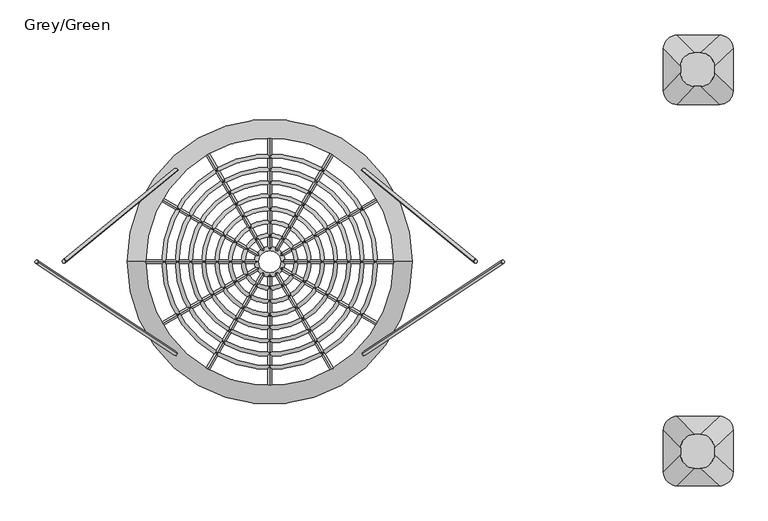
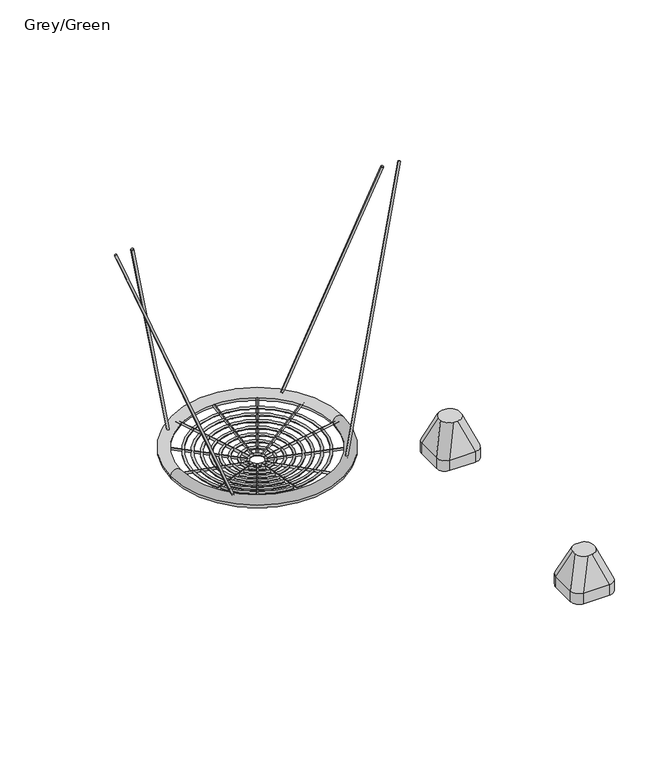
"""IFC4 building model written with IfcOpenShell, lengths in millimetres: furniture geometry, Grey/Green."""

from ifc_helpers import new_model, si_unit, point, frame, frame_2d, origin, place, context, project, spatial, circle_curve, ellipse_curve, trimmed, segment, composite_curve, outline, extrude, source, transform, mapped, element, save
from ifc_brep_helpers import plane_surface, cylinder_surface, revolved_surface, extruded_surface, advanced_brep


def grey_green_b81a8f59(model_context):
    return source(origin(), model_context, "Body", "SolidModel", [
        extrude(outline(composite_curve([segment(trimmed(circle_curve(frame_2d((0.0, -8.0)), 8.0), [point((0.0, -16.0000001))], [point((0.0, 0.0))], False, "CARTESIAN"), True, "CONTINUOUS"), segment(trimmed(circle_curve(frame_2d((0.0, -8.0)), 8.0), [point((0.0, 0.0))], [point((0.0, -16.0000001))], False, "CARTESIAN"), True, "CONTINUOUS")], self_intersect=False)), frame((407.7422445, 394.1498449, 611.5111416), z_axis=(0.2584020941085009, -0.211804995170902, 0.9425322285105141), x_axis=(-0.05600141735473467, -0.9773119481622305, -0.20426746494145032)), (0.0, 0.0, 1.0), 1883.5295867),
        extrude(outline(composite_curve([segment(trimmed(circle_curve(frame_2d((0.0, -8.0)), 8.0), [point((0.0, -16.0000001))], [point((0.0, 0.0))], False, "CARTESIAN"), True, "CONTINUOUS"), segment(trimmed(circle_curve(frame_2d((0.0, -8.0)), 8.0), [point((0.0, 0.0))], [point((0.0, -16.0000001))], False, "CARTESIAN"), True, "CONTINUOUS")], self_intersect=False)), frame((407.6090341, -405.7062822, 611.049837), z_axis=(0.3152303539748724, 0.2080728409075072, 0.9259241420384049), x_axis=(0.06705856372205599, -0.9781133333498113, 0.19697069872155026)), (0.0, 0.0, 1.0), 1917.4037037),
        extrude(outline(composite_curve([segment(trimmed(circle_curve(frame_2d((0.0, -8.0)), 8.0), [point((0.0, -16.0000001))], [point((0.0, 0.0))], False, "CARTESIAN"), True, "CONTINUOUS"), segment(trimmed(circle_curve(frame_2d((0.0, -8.0)), 8.0), [point((0.0, 0.0))], [point((0.0, -16.0000001))], False, "CARTESIAN"), True, "CONTINUOUS")], self_intersect=False)), frame((-407.7422445, 394.1498449, 611.5111416), z_axis=(-0.25840209410850096, -0.21180499517090198, 0.942532228510514), x_axis=(-0.05600141735473466, 0.9773119481622304, 0.20426746494145032)), (0.0, 0.0, 1.0), 1883.5295867),
        extrude(outline(composite_curve([segment(trimmed(circle_curve(frame_2d((0.0, -8.0)), 8.0), [point((0.0, -16.0000001))], [point((0.0, 0.0))], False, "CARTESIAN"), True, "CONTINUOUS"), segment(trimmed(circle_curve(frame_2d((0.0, -8.0)), 8.0), [point((0.0, 0.0))], [point((0.0, -16.0000001))], False, "CARTESIAN"), True, "CONTINUOUS")], self_intersect=False)), frame((-407.6090341, -405.7062822, 611.049837), z_axis=(-0.3152303539748724, 0.20807284090750716, 0.9259241420384049), x_axis=(0.06705856372205597, 0.9781133333498113, -0.19697069872155024)), (0.0, 0.0, 1.0), 1917.4037037),
        advanced_brep(
        [(535.0, -5.7567737, 593.5648611), (-535.0, -5.7567737, 593.5648611), (-615.0, -5.7567737, 593.5648611), (615.0, -5.7567737, 593.5648611)],
        [
            (0, 1, circle_curve(frame((0.0, -5.7567737, 593.5648611), z_axis=(0.0, 0.0, -1.0), x_axis=(-1.0, 0.0, 0.0)), 535.0)),
            (1, 2, circle_curve(frame((-575.0, -5.7567737, 593.5648611), z_axis=(0.0, -1.0, 0.0), x_axis=(1.0, 0.0, 0.0)), 40.0)),
            (2, 3, circle_curve(frame((0.0, -5.7567737, 593.5648611), z_axis=(0.0, 0.0, 1.0), x_axis=(-1.0, 0.0, 0.0)), 615.0)),
            (3, 0, circle_curve(frame((575.0, -5.7567737, 593.5648611), z_axis=(0.0, -1.0, 0.0), x_axis=(-1.0, 0.0, 0.0)), 40.0)),
            (2, 1, circle_curve(frame((-575.0, -5.7567737, 593.5648611), z_axis=(0.0, -1.0, 0.0), x_axis=(1.0, 0.0, 0.0)), 40.0)),
            (0, 3, circle_curve(frame((575.0, -5.7567737, 593.5648611), z_axis=(0.0, -1.0, 0.0), x_axis=(-1.0, 0.0, 0.0)), 40.0)),
            (1, 0, circle_curve(frame((0.0, -5.7567737, 593.5648611), z_axis=(0.0, 0.0, -1.0), x_axis=(1.0, 0.0, 0.0)), 535.0)),
            (3, 2, circle_curve(frame((0.0, -5.7567737, 593.5648611), z_axis=(0.0, 0.0, 1.0), x_axis=(1.0, 0.0, 0.0)), 615.0)),
        ],
        [
            revolved_surface(trimmed(ellipse_curve(frame((-575.0, -5.7567737, 593.5648611), z_axis=(0.0, 1.0, 0.0), x_axis=(1.0, 0.0, 0.0)), 40.0, 40.0), [point((-615.0, -5.7567737, 593.5648611))], [point((-535.0, -5.7567737, 593.5648611))], True, "CARTESIAN"), (0.0, -5.7567737, 1.0), (0.0, 0.0, 1.0)),
            revolved_surface(trimmed(ellipse_curve(frame((-575.0, -5.7567737, 593.5648611), z_axis=(0.0, 1.0, 0.0), x_axis=(1.0, 0.0, 0.0)), 40.0, 40.0), [point((-535.0, -5.7567737, 593.5648611))], [point((-615.0, -5.7567737, 593.5648611))], True, "CARTESIAN"), (0.0, -5.7567737, 1.0), (0.0, 0.0, 1.0)),
            revolved_surface(trimmed(ellipse_curve(frame((575.0, -5.7567737, 593.5648611), z_axis=(0.0, -1.0, 0.0), x_axis=(-1.0, 0.0, 0.0)), 40.0, 40.0), [point((615.0, -5.7567737, 593.5648611))], [point((535.0, -5.7567737, 593.5648611))], True, "CARTESIAN"), (0.0, -5.7567737, 1.0), (0.0, 0.0, 1.0)),
            revolved_surface(trimmed(ellipse_curve(frame((575.0, -5.7567737, 593.5648611), z_axis=(0.0, -1.0, 0.0), x_axis=(-1.0, 0.0, 0.0)), 40.0, 40.0), [point((535.0, -5.7567737, 593.5648611))], [point((615.0, -5.7567737, 593.5648611))], True, "CARTESIAN"), (0.0, -5.7567737, 1.0), (0.0, 0.0, 1.0)),
        ],
        [
            (0, [[1, 2, 3, 4]]),
            (1, [[-3, 5, -1, 6]]),
            (2, [[7, -4, 8, -2]]),
            (3, [[-8, -6, -7, -5]]),
        ],
    ),
        extrude(outline(composite_curve([segment(trimmed(circle_curve(frame_2d((0.0, -8.0000001)), 8.0), [point((0.0, -16.0))], [point((0.0, 0.0))], False, "CARTESIAN"), True, "CONTINUOUS"), segment(trimmed(circle_curve(frame_2d((0.0, -8.0000001)), 8.0), [point((0.0, 0.0))], [point((0.0, -16.0))], False, "CARTESIAN"), True, "CONTINUOUS")], self_intersect=False)), frame((-48.3054722, -33.6501141, 511.3143934), z_axis=(-0.8532184077808869, -0.4926058774098319, 0.17134117475124827), x_axis=(0.49999999999999467, -0.8660254037844417, 0.0)), (0.0, 0.0, 1.0), 525.6770169),
        extrude(outline(composite_curve([segment(trimmed(circle_curve(frame_2d((0.0, -8.0000001)), 8.0), [point((0.0, -16.0))], [point((0.0, 0.0))], False, "CARTESIAN"), True, "CONTINUOUS"), segment(trimmed(circle_curve(frame_2d((0.0, -8.0000001)), 8.0), [point((0.0, 0.0))], [point((0.0, -16.0))], False, "CARTESIAN"), True, "CONTINUOUS")], self_intersect=False)), frame((48.2360089, 22.088136, 511.4528529), z_axis=(0.8532184077808838, 0.4926058774098376, 0.17134117475124827), x_axis=(-0.5000000000000003, 0.8660254037844385, 0.0)), (0.0, 0.0, 1.0), 525.6770169),
        extrude(outline(composite_curve([segment(trimmed(circle_curve(frame_2d((0.0, -8.0000001)), 8.0), [point((0.0, -16.0))], [point((0.0, 0.0))], False, "CARTESIAN"), True, "CONTINUOUS"), segment(trimmed(circle_curve(frame_2d((0.0, -8.0000001)), 8.0), [point((0.0, 0.0))], [point((0.0, -16.0))], False, "CARTESIAN"), True, "CONTINUOUS")], self_intersect=False)), frame((-27.9038567, -54.0517296, 511.3143934), z_axis=(-0.492605877409843, -0.8532184077808806, 0.1713411747512483), x_axis=(0.8660254037844353, -0.5000000000000059, 0.0)), (0.0, 0.0, 1.0), 525.6770169),
        extrude(outline(composite_curve([segment(trimmed(circle_curve(frame_2d((0.0, -8.0000001)), 8.0), [point((0.0, -16.0))], [point((0.0, 0.0))], False, "CARTESIAN"), True, "CONTINUOUS"), segment(trimmed(circle_curve(frame_2d((0.0, -8.0000001)), 8.0), [point((0.0, 0.0))], [point((0.0, -16.0))], False, "CARTESIAN"), True, "CONTINUOUS")], self_intersect=False)), frame((27.8343934, 42.4897515, 511.4528529), z_axis=(0.4926058774098375, 0.8532184077808838, 0.1713411747512483), x_axis=(-0.8660254037844385, 0.5000000000000003, 0.0)), (0.0, 0.0, 1.0), 525.6770169),
        extrude(outline(composite_curve([segment(trimmed(circle_curve(frame_2d((0.0, -8.0000001)), 8.0), [point((0.0, -16.0))], [point((0.0, 0.0))], False, "CARTESIAN"), True, "CONTINUOUS"), segment(trimmed(circle_curve(frame_2d((0.0, -8.0000001)), 8.0), [point((0.0, 0.0))], [point((0.0, -16.0))], False, "CARTESIAN"), True, "CONTINUOUS")], self_intersect=False)), frame((-27.9038567, 42.4897515, 511.3143934), z_axis=(-0.49260587740982914, 0.8532184077808888, 0.17134117475124835), x_axis=(-0.8660254037844434, -0.49999999999999173, 0.0)), (0.0, 0.0, 1.0), 525.6770169),
        extrude(outline(composite_curve([segment(trimmed(circle_curve(frame_2d((0.0, -8.0000001)), 8.0), [point((0.0, -16.0))], [point((0.0, 0.0))], False, "CARTESIAN"), True, "CONTINUOUS"), segment(trimmed(circle_curve(frame_2d((0.0, -8.0000001)), 8.0), [point((0.0, 0.0))], [point((0.0, -16.0))], False, "CARTESIAN"), True, "CONTINUOUS")], self_intersect=False)), frame((27.8343934, -54.0517296, 511.4528529), z_axis=(0.49260587740983475, -0.8532184077808853, 0.17134117475124838), x_axis=(0.8660254037844402, 0.4999999999999975, 0.0)), (0.0, 0.0, 1.0), 525.6770169),
        extrude(outline(composite_curve([segment(trimmed(circle_curve(frame_2d((0.0, -8.0000001)), 8.0), [point((0.0, -16.0))], [point((0.0, 0.0))], False, "CARTESIAN"), True, "CONTINUOUS"), segment(trimmed(circle_curve(frame_2d((0.0, -8.0000001)), 8.0), [point((0.0, 0.0))], [point((0.0, -16.0))], False, "CARTESIAN"), True, "CONTINUOUS")], self_intersect=False)), frame((-48.3054722, 22.088136, 511.3143934), z_axis=(-0.8532184077808784, 0.4926058774098467, 0.17134117475124833), x_axis=(-0.5000000000000097, -0.8660254037844332, 0.0)), (0.0, 0.0, 1.0), 525.6770169),
        extrude(outline(composite_curve([segment(trimmed(circle_curve(frame_2d((0.0, -8.0000001)), 8.0), [point((0.0, -16.0))], [point((0.0, 0.0))], False, "CARTESIAN"), True, "CONTINUOUS"), segment(trimmed(circle_curve(frame_2d((0.0, -8.0000001)), 8.0), [point((0.0, 0.0))], [point((0.0, -16.0))], False, "CARTESIAN"), True, "CONTINUOUS")], self_intersect=False)), frame((48.2360089, -33.6501141, 511.4528529), z_axis=(0.8532184077808816, -0.49260587740984113, 0.17134117475124833), x_axis=(0.500000000000004, 0.8660254037844364, 0.0)), (0.0, 0.0, 1.0), 525.6770169),
        extrude(outline(composite_curve([segment(trimmed(circle_curve(frame_2d((0.0, -8.0000001)), 8.0), [point((0.0, -16.0))], [point((0.0, 0.0))], False, "CARTESIAN"), True, "CONTINUOUS"), segment(trimmed(circle_curve(frame_2d((0.0, -8.0000001)), 8.0), [point((0.0, 0.0))], [point((0.0, -16.0))], False, "CARTESIAN"), True, "CONTINUOUS")], self_intersect=False)), frame((-55.7729818, -5.7809891, 511.3143934), z_axis=(-0.9852117548196744, 0.0, 0.1713411747512483), x_axis=(0.0, -1.0, 0.0)), (0.0, 0.0, 1.0), 525.6770169),
        extrude(outline(composite_curve([segment(trimmed(circle_curve(frame_2d((0.0, -8.0000001)), 8.0), [point((0.0, -16.0))], [point((0.0, 0.0))], False, "CARTESIAN"), True, "CONTINUOUS"), segment(trimmed(circle_curve(frame_2d((0.0, -8.0000001)), 8.0), [point((0.0, 0.0))], [point((0.0, -16.0))], False, "CARTESIAN"), True, "CONTINUOUS")], self_intersect=False)), frame((55.7035184, -5.7809891, 511.4528529), z_axis=(0.9852117548196744, 0.0, 0.1713411747512483), x_axis=(0.0, 1.0, 0.0)), (0.0, 0.0, 1.0), 525.6770169),
        extrude(outline(composite_curve([segment(trimmed(circle_curve(frame_2d((0.0, -8.0000001)), 8.0), [point((0.0, -16.0))], [point((0.0, 0.0))], False, "CARTESIAN"), True, "CONTINUOUS"), segment(trimmed(circle_curve(frame_2d((0.0, -8.0000001)), 8.0), [point((0.0, 0.0))], [point((0.0, -16.0))], False, "CARTESIAN"), True, "CONTINUOUS")], self_intersect=False)), frame((-0.0347317, -61.5192392, 511.3143934), z_axis=(0.0, -0.9852117548196744, 0.17134117475124827), x_axis=(1.0, 0.0, 0.0)), (0.0, 0.0, 1.0), 525.6770169),
        extrude(outline(composite_curve([segment(trimmed(circle_curve(frame_2d((0.0, -8.0000001)), 8.0), [point((0.0, -16.0))], [point((0.0, 0.0))], False, "CARTESIAN"), True, "CONTINUOUS"), segment(trimmed(circle_curve(frame_2d((0.0, -8.0000001)), 8.0), [point((0.0, 0.0))], [point((0.0, -16.0))], False, "CARTESIAN"), True, "CONTINUOUS")], self_intersect=False)), frame((-0.0347317, 49.957261, 511.4528529), z_axis=(0.0, 0.9852117548196744, 0.1713411747512483), x_axis=(-1.0, 0.0, 0.0)), (0.0, 0.0, 1.0), 525.6770169),
        advanced_brep(
        [(448.7364652, -5.7567737, 573.090214), (-448.7364652, -5.7567737, 573.090214), (-464.7364652, -5.7567737, 573.090214), (464.7364652, -5.7567737, 573.090214)],
        [
            (0, 1, circle_curve(frame((0.0, -5.7567737, 573.090214), z_axis=(0.0, 0.0, -1.0), x_axis=(-1.0, 0.0, 0.0)), 448.7364652)),
            (1, 2, circle_curve(frame((-456.7364652, -5.7567737, 573.090214), z_axis=(0.0, -1.0, 0.0), x_axis=(1.0, 0.0, 0.0)), 8.0)),
            (2, 3, circle_curve(frame((0.0, -5.7567737, 573.090214), z_axis=(0.0, 0.0, 1.0), x_axis=(-1.0, 0.0, 0.0)), 464.7364652)),
            (3, 0, circle_curve(frame((456.7364652, -5.7567737, 573.090214), z_axis=(0.0, -1.0, 0.0), x_axis=(-1.0, 0.0, 0.0)), 8.0)),
            (2, 1, circle_curve(frame((-456.7364652, -5.7567737, 573.090214), z_axis=(0.0, -1.0, 0.0), x_axis=(1.0, 0.0, 0.0)), 8.0)),
            (0, 3, circle_curve(frame((456.7364652, -5.7567737, 573.090214), z_axis=(0.0, -1.0, 0.0), x_axis=(-1.0, 0.0, 0.0)), 8.0)),
            (1, 0, circle_curve(frame((0.0, -5.7567737, 573.090214), z_axis=(0.0, 0.0, -1.0), x_axis=(1.0, 0.0, 0.0)), 448.7364652)),
            (3, 2, circle_curve(frame((0.0, -5.7567737, 573.090214), z_axis=(0.0, 0.0, 1.0), x_axis=(1.0, 0.0, 0.0)), 464.7364652)),
        ],
        [
            revolved_surface(trimmed(ellipse_curve(frame((-456.7364652, -5.7567737, 573.090214), z_axis=(0.0, 1.0, 0.0), x_axis=(1.0, 0.0, 0.0)), 8.0, 8.0), [point((-464.7364652, -5.7567737, 573.090214))], [point((-448.7364652, -5.7567737, 573.090214))], True, "CARTESIAN"), (0.0, -5.7567737, 1.0), (0.0, 0.0, 1.0)),
            revolved_surface(trimmed(ellipse_curve(frame((-456.7364652, -5.7567737, 573.090214), z_axis=(0.0, 1.0, 0.0), x_axis=(1.0, 0.0, 0.0)), 8.0, 8.0), [point((-448.7364652, -5.7567737, 573.090214))], [point((-464.7364652, -5.7567737, 573.090214))], True, "CARTESIAN"), (0.0, -5.7567737, 1.0), (0.0, 0.0, 1.0)),
            revolved_surface(trimmed(ellipse_curve(frame((456.7364652, -5.7567737, 573.090214), z_axis=(0.0, -1.0, 0.0), x_axis=(-1.0, 0.0, 0.0)), 8.0, 8.0), [point((464.7364652, -5.7567737, 573.090214))], [point((448.7364652, -5.7567737, 573.090214))], True, "CARTESIAN"), (0.0, -5.7567737, 1.0), (0.0, 0.0, 1.0)),
            revolved_surface(trimmed(ellipse_curve(frame((456.7364652, -5.7567737, 573.090214), z_axis=(0.0, -1.0, 0.0), x_axis=(-1.0, 0.0, 0.0)), 8.0, 8.0), [point((448.7364652, -5.7567737, 573.090214))], [point((464.7364652, -5.7567737, 573.090214))], True, "CARTESIAN"), (0.0, -5.7567737, 1.0), (0.0, 0.0, 1.0)),
        ],
        [
            (0, [[1, 2, 3, 4]]),
            (1, [[-3, 5, -1, 6]]),
            (2, [[7, -4, 8, -2]]),
            (3, [[-8, -6, -7, -5]]),
        ],
    ),
        advanced_brep(
        [(391.6928848, -5.7567737, 563.0714642), (-391.6928848, -5.7567737, 563.0714642), (-407.6928848, -5.7567737, 563.0714642), (407.6928848, -5.7567737, 563.0714642)],
        [
            (0, 1, circle_curve(frame((0.0, -5.7567737, 563.0714642), z_axis=(0.0, 0.0, -1.0), x_axis=(-1.0, 0.0, 0.0)), 391.6928848)),
            (1, 2, circle_curve(frame((-399.6928848, -5.7567737, 563.0714642), z_axis=(0.0, -1.0, 0.0), x_axis=(1.0, 0.0, 0.0)), 8.0)),
            (2, 3, circle_curve(frame((0.0, -5.7567737, 563.0714642), z_axis=(0.0, 0.0, 1.0), x_axis=(-1.0, 0.0, 0.0)), 407.6928848)),
            (3, 0, circle_curve(frame((399.6928848, -5.7567737, 563.0714642), z_axis=(0.0, -1.0, 0.0), x_axis=(-1.0, 0.0, 0.0)), 8.0)),
            (2, 1, circle_curve(frame((-399.6928848, -5.7567737, 563.0714642), z_axis=(0.0, -1.0, 0.0), x_axis=(1.0, 0.0, 0.0)), 8.0)),
            (0, 3, circle_curve(frame((399.6928848, -5.7567737, 563.0714642), z_axis=(0.0, -1.0, 0.0), x_axis=(-1.0, 0.0, 0.0)), 8.0)),
            (1, 0, circle_curve(frame((0.0, -5.7567737, 563.0714642), z_axis=(0.0, 0.0, -1.0), x_axis=(1.0, 0.0, 0.0)), 391.6928848)),
            (3, 2, circle_curve(frame((0.0, -5.7567737, 563.0714642), z_axis=(0.0, 0.0, 1.0), x_axis=(1.0, 0.0, 0.0)), 407.6928848)),
        ],
        [
            revolved_surface(trimmed(ellipse_curve(frame((-399.6928848, -5.7567737, 563.0714642), z_axis=(0.0, 1.0, 0.0), x_axis=(1.0, 0.0, 0.0)), 8.0, 8.0), [point((-407.6928848, -5.7567737, 563.0714642))], [point((-391.6928848, -5.7567737, 563.0714642))], True, "CARTESIAN"), (0.0, -5.7567737, 1.0), (0.0, 0.0, 1.0)),
            revolved_surface(trimmed(ellipse_curve(frame((-399.6928848, -5.7567737, 563.0714642), z_axis=(0.0, 1.0, 0.0), x_axis=(1.0, 0.0, 0.0)), 8.0, 8.0), [point((-391.6928848, -5.7567737, 563.0714642))], [point((-407.6928848, -5.7567737, 563.0714642))], True, "CARTESIAN"), (0.0, -5.7567737, 1.0), (0.0, 0.0, 1.0)),
            revolved_surface(trimmed(ellipse_curve(frame((399.6928848, -5.7567737, 563.0714642), z_axis=(0.0, -1.0, 0.0), x_axis=(-1.0, 0.0, 0.0)), 8.0, 8.0), [point((407.6928848, -5.7567737, 563.0714642))], [point((391.6928848, -5.7567737, 563.0714642))], True, "CARTESIAN"), (0.0, -5.7567737, 1.0), (0.0, 0.0, 1.0)),
            revolved_surface(trimmed(ellipse_curve(frame((399.6928848, -5.7567737, 563.0714642), z_axis=(0.0, -1.0, 0.0), x_axis=(-1.0, 0.0, 0.0)), 8.0, 8.0), [point((391.6928848, -5.7567737, 563.0714642))], [point((407.6928848, -5.7567737, 563.0714642))], True, "CARTESIAN"), (0.0, -5.7567737, 1.0), (0.0, 0.0, 1.0)),
        ],
        [
            (0, [[1, 2, 3, 4]]),
            (1, [[-3, 5, -1, 6]]),
            (2, [[7, -4, 8, -2]]),
            (3, [[-8, -6, -7, -5]]),
        ],
    ),
        advanced_brep(
        [(334.6014773, -5.7567737, 553.2139496), (-334.6014773, -5.7567737, 553.2139496), (-350.6014773, -5.7567737, 553.2139496), (350.6014773, -5.7567737, 553.2139496)],
        [
            (0, 1, circle_curve(frame((0.0, -5.7567737, 553.2139496), z_axis=(0.0, 0.0, -1.0), x_axis=(-1.0, 0.0, 0.0)), 334.6014773)),
            (1, 2, circle_curve(frame((-342.6014773, -5.7567737, 553.2139496), z_axis=(0.0, -1.0, 0.0), x_axis=(1.0, 0.0, 0.0)), 8.0)),
            (2, 3, circle_curve(frame((0.0, -5.7567737, 553.2139496), z_axis=(0.0, 0.0, 1.0), x_axis=(-1.0, 0.0, 0.0)), 350.6014773)),
            (3, 0, circle_curve(frame((342.6014773, -5.7567737, 553.2139496), z_axis=(0.0, -1.0, 0.0), x_axis=(-1.0, 0.0, 0.0)), 8.0)),
            (2, 1, circle_curve(frame((-342.6014773, -5.7567737, 553.2139496), z_axis=(0.0, -1.0, 0.0), x_axis=(1.0, 0.0, 0.0)), 8.0)),
            (0, 3, circle_curve(frame((342.6014773, -5.7567737, 553.2139496), z_axis=(0.0, -1.0, 0.0), x_axis=(-1.0, 0.0, 0.0)), 8.0)),
            (1, 0, circle_curve(frame((0.0, -5.7567737, 553.2139496), z_axis=(0.0, 0.0, -1.0), x_axis=(1.0, 0.0, 0.0)), 334.6014773)),
            (3, 2, circle_curve(frame((0.0, -5.7567737, 553.2139496), z_axis=(0.0, 0.0, 1.0), x_axis=(1.0, 0.0, 0.0)), 350.6014773)),
        ],
        [
            revolved_surface(trimmed(ellipse_curve(frame((-342.6014773, -5.7567737, 553.2139496), z_axis=(0.0, 1.0, 0.0), x_axis=(1.0, 0.0, 0.0)), 8.0, 8.0), [point((-350.6014773, -5.7567737, 553.2139496))], [point((-334.6014773, -5.7567737, 553.2139496))], True, "CARTESIAN"), (0.0, -5.7567737, 1.0), (0.0, 0.0, 1.0)),
            revolved_surface(trimmed(ellipse_curve(frame((-342.6014773, -5.7567737, 553.2139496), z_axis=(0.0, 1.0, 0.0), x_axis=(1.0, 0.0, 0.0)), 8.0, 8.0), [point((-334.6014773, -5.7567737, 553.2139496))], [point((-350.6014773, -5.7567737, 553.2139496))], True, "CARTESIAN"), (0.0, -5.7567737, 1.0), (0.0, 0.0, 1.0)),
            revolved_surface(trimmed(ellipse_curve(frame((342.6014773, -5.7567737, 553.2139496), z_axis=(0.0, -1.0, 0.0), x_axis=(-1.0, 0.0, 0.0)), 8.0, 8.0), [point((350.6014773, -5.7567737, 553.2139496))], [point((334.6014773, -5.7567737, 553.2139496))], True, "CARTESIAN"), (0.0, -5.7567737, 1.0), (0.0, 0.0, 1.0)),
            revolved_surface(trimmed(ellipse_curve(frame((342.6014773, -5.7567737, 553.2139496), z_axis=(0.0, -1.0, 0.0), x_axis=(-1.0, 0.0, 0.0)), 8.0, 8.0), [point((334.6014773, -5.7567737, 553.2139496))], [point((350.6014773, -5.7567737, 553.2139496))], True, "CARTESIAN"), (0.0, -5.7567737, 1.0), (0.0, 0.0, 1.0)),
        ],
        [
            (0, [[1, 2, 3, 4]]),
            (1, [[-3, 5, -1, 6]]),
            (2, [[7, -4, 8, -2]]),
            (3, [[-8, -6, -7, -5]]),
        ],
    ),
        advanced_brep(
        [(277.4216223, -5.7567737, 543.2912884), (-277.4216223, -5.7567737, 543.2912884), (-293.4216223, -5.7567737, 543.2912884), (293.4216223, -5.7567737, 543.2912884)],
        [
            (0, 1, circle_curve(frame((0.0, -5.7567737, 543.2912884), z_axis=(0.0, 0.0, -1.0), x_axis=(-1.0, 0.0, 0.0)), 277.4216223)),
            (1, 2, circle_curve(frame((-285.4216223, -5.7567737, 543.2912884), z_axis=(0.0, -1.0, 0.0), x_axis=(1.0, 0.0, 0.0)), 8.0)),
            (2, 3, circle_curve(frame((0.0, -5.7567737, 543.2912884), z_axis=(0.0, 0.0, 1.0), x_axis=(-1.0, 0.0, 0.0)), 293.4216223)),
            (3, 0, circle_curve(frame((285.4216223, -5.7567737, 543.2912884), z_axis=(0.0, -1.0, 0.0), x_axis=(-1.0, 0.0, 0.0)), 8.0)),
            (2, 1, circle_curve(frame((-285.4216223, -5.7567737, 543.2912884), z_axis=(0.0, -1.0, 0.0), x_axis=(1.0, 0.0, 0.0)), 8.0)),
            (0, 3, circle_curve(frame((285.4216223, -5.7567737, 543.2912884), z_axis=(0.0, -1.0, 0.0), x_axis=(-1.0, 0.0, 0.0)), 8.0)),
            (1, 0, circle_curve(frame((0.0, -5.7567737, 543.2912884), z_axis=(0.0, 0.0, -1.0), x_axis=(1.0, 0.0, 0.0)), 277.4216223)),
            (3, 2, circle_curve(frame((0.0, -5.7567737, 543.2912884), z_axis=(0.0, 0.0, 1.0), x_axis=(1.0, 0.0, 0.0)), 293.4216223)),
        ],
        [
            revolved_surface(trimmed(ellipse_curve(frame((-285.4216223, -5.7567737, 543.2912884), z_axis=(0.0, 1.0, 0.0), x_axis=(1.0, 0.0, 0.0)), 8.0, 8.0), [point((-293.4216223, -5.7567737, 543.2912884))], [point((-277.4216223, -5.7567737, 543.2912884))], True, "CARTESIAN"), (0.0, -5.7567737, 1.0), (0.0, 0.0, 1.0)),
            revolved_surface(trimmed(ellipse_curve(frame((-285.4216223, -5.7567737, 543.2912884), z_axis=(0.0, 1.0, 0.0), x_axis=(1.0, 0.0, 0.0)), 8.0, 8.0), [point((-277.4216223, -5.7567737, 543.2912884))], [point((-293.4216223, -5.7567737, 543.2912884))], True, "CARTESIAN"), (0.0, -5.7567737, 1.0), (0.0, 0.0, 1.0)),
            revolved_surface(trimmed(ellipse_curve(frame((285.4216223, -5.7567737, 543.2912884), z_axis=(0.0, -1.0, 0.0), x_axis=(-1.0, 0.0, 0.0)), 8.0, 8.0), [point((293.4216223, -5.7567737, 543.2912884))], [point((277.4216223, -5.7567737, 543.2912884))], True, "CARTESIAN"), (0.0, -5.7567737, 1.0), (0.0, 0.0, 1.0)),
            revolved_surface(trimmed(ellipse_curve(frame((285.4216223, -5.7567737, 543.2912884), z_axis=(0.0, -1.0, 0.0), x_axis=(-1.0, 0.0, 0.0)), 8.0, 8.0), [point((277.4216223, -5.7567737, 543.2912884))], [point((293.4216223, -5.7567737, 543.2912884))], True, "CARTESIAN"), (0.0, -5.7567737, 1.0), (0.0, 0.0, 1.0)),
        ],
        [
            (0, [[1, 2, 3, 4]]),
            (1, [[-3, 5, -1, 6]]),
            (2, [[7, -4, 8, -2]]),
            (3, [[-8, -6, -7, -5]]),
        ],
    ),
        advanced_brep(
        [(220.4010994, -5.7567737, 533.3558342), (-220.4010994, -5.7567737, 533.3558342), (-236.4010994, -5.7567737, 533.3558342), (236.4010994, -5.7567737, 533.3558342)],
        [
            (0, 1, circle_curve(frame((0.0, -5.7567737, 533.3558342), z_axis=(0.0, 0.0, -1.0), x_axis=(-1.0, 0.0, 0.0)), 220.4010994)),
            (1, 2, circle_curve(frame((-228.4010994, -5.7567737, 533.3558342), z_axis=(0.0, -1.0, 0.0), x_axis=(1.0, 0.0, 0.0)), 8.0)),
            (2, 3, circle_curve(frame((0.0, -5.7567737, 533.3558342), z_axis=(0.0, 0.0, 1.0), x_axis=(-1.0, 0.0, 0.0)), 236.4010994)),
            (3, 0, circle_curve(frame((228.4010994, -5.7567737, 533.3558342), z_axis=(0.0, -1.0, 0.0), x_axis=(-1.0, 0.0, 0.0)), 8.0)),
            (2, 1, circle_curve(frame((-228.4010994, -5.7567737, 533.3558342), z_axis=(0.0, -1.0, 0.0), x_axis=(1.0, 0.0, 0.0)), 8.0)),
            (0, 3, circle_curve(frame((228.4010994, -5.7567737, 533.3558342), z_axis=(0.0, -1.0, 0.0), x_axis=(-1.0, 0.0, 0.0)), 8.0)),
            (1, 0, circle_curve(frame((0.0, -5.7567737, 533.3558342), z_axis=(0.0, 0.0, -1.0), x_axis=(1.0, 0.0, 0.0)), 220.4010994)),
            (3, 2, circle_curve(frame((0.0, -5.7567737, 533.3558342), z_axis=(0.0, 0.0, 1.0), x_axis=(1.0, 0.0, 0.0)), 236.4010994)),
        ],
        [
            revolved_surface(trimmed(ellipse_curve(frame((-228.4010994, -5.7567737, 533.3558342), z_axis=(0.0, 1.0, 0.0), x_axis=(1.0, 0.0, 0.0)), 8.0, 8.0), [point((-236.4010994, -5.7567737, 533.3558342))], [point((-220.4010994, -5.7567737, 533.3558342))], True, "CARTESIAN"), (0.0, -5.7567737, 1.0), (0.0, 0.0, 1.0)),
            revolved_surface(trimmed(ellipse_curve(frame((-228.4010994, -5.7567737, 533.3558342), z_axis=(0.0, 1.0, 0.0), x_axis=(1.0, 0.0, 0.0)), 8.0, 8.0), [point((-220.4010994, -5.7567737, 533.3558342))], [point((-236.4010994, -5.7567737, 533.3558342))], True, "CARTESIAN"), (0.0, -5.7567737, 1.0), (0.0, 0.0, 1.0)),
            revolved_surface(trimmed(ellipse_curve(frame((228.4010994, -5.7567737, 533.3558342), z_axis=(0.0, -1.0, 0.0), x_axis=(-1.0, 0.0, 0.0)), 8.0, 8.0), [point((236.4010994, -5.7567737, 533.3558342))], [point((220.4010994, -5.7567737, 533.3558342))], True, "CARTESIAN"), (0.0, -5.7567737, 1.0), (0.0, 0.0, 1.0)),
            revolved_surface(trimmed(ellipse_curve(frame((228.4010994, -5.7567737, 533.3558342), z_axis=(0.0, -1.0, 0.0), x_axis=(-1.0, 0.0, 0.0)), 8.0, 8.0), [point((220.4010994, -5.7567737, 533.3558342))], [point((236.4010994, -5.7567737, 533.3558342))], True, "CARTESIAN"), (0.0, -5.7567737, 1.0), (0.0, 0.0, 1.0)),
        ],
        [
            (0, [[1, 2, 3, 4]]),
            (1, [[-3, 5, -1, 6]]),
            (2, [[7, -4, 8, -2]]),
            (3, [[-8, -6, -7, -5]]),
        ],
    ),
        advanced_brep(
        [(163.3918023, -5.7567737, 523.3456297), (-163.3918023, -5.7567737, 523.3456297), (-179.3918023, -5.7567737, 523.3456297), (179.3918023, -5.7567737, 523.3456297)],
        [
            (0, 1, circle_curve(frame((0.0, -5.7567737, 523.3456297), z_axis=(0.0, 0.0, -1.0), x_axis=(-1.0, 0.0, 0.0)), 163.3918023)),
            (1, 2, circle_curve(frame((-171.3918023, -5.7567737, 523.3456297), z_axis=(0.0, -1.0, 0.0), x_axis=(1.0, 0.0, 0.0)), 8.0)),
            (2, 3, circle_curve(frame((0.0, -5.7567737, 523.3456297), z_axis=(0.0, 0.0, 1.0), x_axis=(-1.0, 0.0, 0.0)), 179.3918023)),
            (3, 0, circle_curve(frame((171.3918023, -5.7567737, 523.3456297), z_axis=(0.0, -1.0, 0.0), x_axis=(-1.0, 0.0, 0.0)), 8.0)),
            (2, 1, circle_curve(frame((-171.3918023, -5.7567737, 523.3456297), z_axis=(0.0, -1.0, 0.0), x_axis=(1.0, 0.0, 0.0)), 8.0)),
            (0, 3, circle_curve(frame((171.3918023, -5.7567737, 523.3456297), z_axis=(0.0, -1.0, 0.0), x_axis=(-1.0, 0.0, 0.0)), 8.0)),
            (1, 0, circle_curve(frame((0.0, -5.7567737, 523.3456297), z_axis=(0.0, 0.0, -1.0), x_axis=(1.0, 0.0, 0.0)), 163.3918023)),
            (3, 2, circle_curve(frame((0.0, -5.7567737, 523.3456297), z_axis=(0.0, 0.0, 1.0), x_axis=(1.0, 0.0, 0.0)), 179.3918023)),
        ],
        [
            revolved_surface(trimmed(ellipse_curve(frame((-171.3918023, -5.7567737, 523.3456297), z_axis=(0.0, 1.0, 0.0), x_axis=(1.0, 0.0, 0.0)), 8.0, 8.0), [point((-179.3918023, -5.7567737, 523.3456297))], [point((-163.3918023, -5.7567737, 523.3456297))], True, "CARTESIAN"), (0.0, -5.7567737, 1.0), (0.0, 0.0, 1.0)),
            revolved_surface(trimmed(ellipse_curve(frame((-171.3918023, -5.7567737, 523.3456297), z_axis=(0.0, 1.0, 0.0), x_axis=(1.0, 0.0, 0.0)), 8.0, 8.0), [point((-163.3918023, -5.7567737, 523.3456297))], [point((-179.3918023, -5.7567737, 523.3456297))], True, "CARTESIAN"), (0.0, -5.7567737, 1.0), (0.0, 0.0, 1.0)),
            revolved_surface(trimmed(ellipse_curve(frame((171.3918023, -5.7567737, 523.3456297), z_axis=(0.0, -1.0, 0.0), x_axis=(-1.0, 0.0, 0.0)), 8.0, 8.0), [point((179.3918023, -5.7567737, 523.3456297))], [point((163.3918023, -5.7567737, 523.3456297))], True, "CARTESIAN"), (0.0, -5.7567737, 1.0), (0.0, 0.0, 1.0)),
            revolved_surface(trimmed(ellipse_curve(frame((171.3918023, -5.7567737, 523.3456297), z_axis=(0.0, -1.0, 0.0), x_axis=(-1.0, 0.0, 0.0)), 8.0, 8.0), [point((163.3918023, -5.7567737, 523.3456297))], [point((179.3918023, -5.7567737, 523.3456297))], True, "CARTESIAN"), (0.0, -5.7567737, 1.0), (0.0, 0.0, 1.0)),
        ],
        [
            (0, [[1, 2, 3, 4]]),
            (1, [[-3, 5, -1, 6]]),
            (2, [[7, -4, 8, -2]]),
            (3, [[-8, -6, -7, -5]]),
        ],
    ),
        advanced_brep(
        [(106.2067904, -5.7567737, 513.4258509), (-106.2067904, -5.7567737, 513.4258509), (-122.2067904, -5.7567737, 513.4258509), (122.2067904, -5.7567737, 513.4258509)],
        [
            (0, 1, circle_curve(frame((0.0, -5.7567737, 513.4258509), z_axis=(0.0, 0.0, -1.0), x_axis=(-1.0, 0.0, 0.0)), 106.2067904)),
            (1, 2, circle_curve(frame((-114.2067904, -5.7567737, 513.4258509), z_axis=(0.0, -1.0, 0.0), x_axis=(1.0, 0.0, 0.0)), 8.0)),
            (2, 3, circle_curve(frame((0.0, -5.7567737, 513.4258509), z_axis=(0.0, 0.0, 1.0), x_axis=(-1.0, 0.0, 0.0)), 122.2067904)),
            (3, 0, circle_curve(frame((114.2067904, -5.7567737, 513.4258509), z_axis=(0.0, -1.0, 0.0), x_axis=(-1.0, 0.0, 0.0)), 8.0)),
            (2, 1, circle_curve(frame((-114.2067904, -5.7567737, 513.4258509), z_axis=(0.0, -1.0, 0.0), x_axis=(1.0, 0.0, 0.0)), 8.0)),
            (0, 3, circle_curve(frame((114.2067904, -5.7567737, 513.4258509), z_axis=(0.0, -1.0, 0.0), x_axis=(-1.0, 0.0, 0.0)), 8.0)),
            (1, 0, circle_curve(frame((0.0, -5.7567737, 513.4258509), z_axis=(0.0, 0.0, -1.0), x_axis=(1.0, 0.0, 0.0)), 106.2067904)),
            (3, 2, circle_curve(frame((0.0, -5.7567737, 513.4258509), z_axis=(0.0, 0.0, 1.0), x_axis=(1.0, 0.0, 0.0)), 122.2067904)),
        ],
        [
            revolved_surface(trimmed(ellipse_curve(frame((-114.2067904, -5.7567737, 513.4258509), z_axis=(0.0, 1.0, 0.0), x_axis=(1.0, 0.0, 0.0)), 8.0, 8.0), [point((-122.2067904, -5.7567737, 513.4258509))], [point((-106.2067904, -5.7567737, 513.4258509))], True, "CARTESIAN"), (0.0, -5.7567737, 1.0), (0.0, 0.0, 1.0)),
            revolved_surface(trimmed(ellipse_curve(frame((-114.2067904, -5.7567737, 513.4258509), z_axis=(0.0, 1.0, 0.0), x_axis=(1.0, 0.0, 0.0)), 8.0, 8.0), [point((-106.2067904, -5.7567737, 513.4258509))], [point((-122.2067904, -5.7567737, 513.4258509))], True, "CARTESIAN"), (0.0, -5.7567737, 1.0), (0.0, 0.0, 1.0)),
            revolved_surface(trimmed(ellipse_curve(frame((114.2067904, -5.7567737, 513.4258509), z_axis=(0.0, -1.0, 0.0), x_axis=(-1.0, 0.0, 0.0)), 8.0, 8.0), [point((122.2067904, -5.7567737, 513.4258509))], [point((106.2067904, -5.7567737, 513.4258509))], True, "CARTESIAN"), (0.0, -5.7567737, 1.0), (0.0, 0.0, 1.0)),
            revolved_surface(trimmed(ellipse_curve(frame((114.2067904, -5.7567737, 513.4258509), z_axis=(0.0, -1.0, 0.0), x_axis=(-1.0, 0.0, 0.0)), 8.0, 8.0), [point((106.2067904, -5.7567737, 513.4258509))], [point((122.2067904, -5.7567737, 513.4258509))], True, "CARTESIAN"), (0.0, -5.7567737, 1.0), (0.0, 0.0, 1.0)),
        ],
        [
            (0, [[1, 2, 3, 4]]),
            (1, [[-3, 5, -1, 6]]),
            (2, [[7, -4, 8, -2]]),
            (3, [[-8, -6, -7, -5]]),
        ],
    ),
        advanced_brep(
        [(49.094742, -5.7567737, 503.6501248), (-49.094742, -5.7567737, 503.6501248), (-65.094742, -5.7567737, 503.6501248), (65.094742, -5.7567737, 503.6501248)],
        [
            (0, 1, circle_curve(frame((0.0, -5.7567737, 503.6501248), z_axis=(0.0, 0.0, -1.0), x_axis=(-1.0, 0.0, 0.0)), 49.094742)),
            (1, 2, circle_curve(frame((-57.094742, -5.7567737, 503.6501248), z_axis=(0.0, -1.0, 0.0), x_axis=(1.0, 0.0, 0.0)), 8.0)),
            (2, 3, circle_curve(frame((0.0, -5.7567737, 503.6501248), z_axis=(0.0, 0.0, 1.0), x_axis=(-1.0, 0.0, 0.0)), 65.094742)),
            (3, 0, circle_curve(frame((57.094742, -5.7567737, 503.6501248), z_axis=(0.0, -1.0, 0.0), x_axis=(-1.0, 0.0, 0.0)), 8.0)),
            (2, 1, circle_curve(frame((-57.094742, -5.7567737, 503.6501248), z_axis=(0.0, -1.0, 0.0), x_axis=(1.0, 0.0, 0.0)), 8.0)),
            (0, 3, circle_curve(frame((57.094742, -5.7567737, 503.6501248), z_axis=(0.0, -1.0, 0.0), x_axis=(-1.0, 0.0, 0.0)), 8.0)),
            (1, 0, circle_curve(frame((0.0, -5.7567737, 503.6501248), z_axis=(0.0, 0.0, -1.0), x_axis=(1.0, 0.0, 0.0)), 49.094742)),
            (3, 2, circle_curve(frame((0.0, -5.7567737, 503.6501248), z_axis=(0.0, 0.0, 1.0), x_axis=(1.0, 0.0, 0.0)), 65.094742)),
        ],
        [
            revolved_surface(trimmed(ellipse_curve(frame((-57.094742, -5.7567737, 503.6501248), z_axis=(0.0, 1.0, 0.0), x_axis=(1.0, 0.0, 0.0)), 8.0, 8.0), [point((-65.094742, -5.7567737, 503.6501248))], [point((-49.094742, -5.7567737, 503.6501248))], True, "CARTESIAN"), (0.0, -5.7567737, 1.0), (0.0, 0.0, 1.0)),
            revolved_surface(trimmed(ellipse_curve(frame((-57.094742, -5.7567737, 503.6501248), z_axis=(0.0, 1.0, 0.0), x_axis=(1.0, 0.0, 0.0)), 8.0, 8.0), [point((-49.094742, -5.7567737, 503.6501248))], [point((-65.094742, -5.7567737, 503.6501248))], True, "CARTESIAN"), (0.0, -5.7567737, 1.0), (0.0, 0.0, 1.0)),
            revolved_surface(trimmed(ellipse_curve(frame((57.094742, -5.7567737, 503.6501248), z_axis=(0.0, -1.0, 0.0), x_axis=(-1.0, 0.0, 0.0)), 8.0, 8.0), [point((65.094742, -5.7567737, 503.6501248))], [point((49.094742, -5.7567737, 503.6501248))], True, "CARTESIAN"), (0.0, -5.7567737, 1.0), (0.0, 0.0, 1.0)),
            revolved_surface(trimmed(ellipse_curve(frame((57.094742, -5.7567737, 503.6501248), z_axis=(0.0, -1.0, 0.0), x_axis=(-1.0, 0.0, 0.0)), 8.0, 8.0), [point((49.094742, -5.7567737, 503.6501248))], [point((65.094742, -5.7567737, 503.6501248))], True, "CARTESIAN"), (0.0, -5.7567737, 1.0), (0.0, 0.0, 1.0)),
        ],
        [
            (0, [[1, 2, 3, 4]]),
            (1, [[-3, 5, -1, 6]]),
            (2, [[7, -4, 8, -2]]),
            (3, [[-8, -6, -7, -5]]),
        ],
    ),
        advanced_brep(
        [(1757.0, -672.5, -604.0), (1937.0, -672.5, -604.0), (1997.0, -732.5, -604.0), (1997.0, -912.5, -604.0), (1937.0, -972.5, -604.0), (1757.0, -972.5, -604.0), (1697.0, -912.5, -604.0), (1697.0, -732.5, -604.0), (1757.0, -672.5, -526.0689494), (1937.0, -672.5, -526.0689494), (1997.0, -732.5, -526.0689494), (1997.0, -912.5, -526.0689494), (1937.0, -972.5, -526.0689494), (1757.0, -972.5, -526.0689494), (1697.0, -912.5, -526.0689494), (1697.0, -732.5, -526.0689494), (1855.9540451, -751.0510597, -316.0689494), (1830.9540451, -751.0510597, -316.0689494), (1770.9540451, -811.0510597, -316.0689494), (1770.9540451, -836.0510597, -316.0689494), (1830.9540451, -896.0510597, -316.0689494), (1855.9540451, -896.0510597, -316.0689494), (1915.9540451, -836.0510597, -316.0689494), (1915.9540451, -811.0510597, -316.0689494)],
        [
            (0, 1),
            (1, 2, circle_curve(frame((1937.0, -732.5, -604.0), z_axis=(0.0, 0.0, -1.0), x_axis=(-1.0, 0.0, 0.0)), 60.0)),
            (2, 3),
            (3, 4, circle_curve(frame((1937.0, -912.5, -604.0), z_axis=(0.0, 0.0, -1.0), x_axis=(-1.0, 0.0, 0.0)), 60.0)),
            (4, 5),
            (5, 6, circle_curve(frame((1757.0, -912.5, -604.0), z_axis=(0.0, 0.0, -1.0), x_axis=(-1.0, 0.0, 0.0)), 60.0)),
            (6, 7),
            (7, 0, circle_curve(frame((1757.0, -732.5, -604.0), z_axis=(0.0, 0.0, -1.0), x_axis=(-1.0, 0.0, 0.0)), 60.0)),
            (0, 8),
            (8, 9),
            (9, 1),
            (2, 10),
            (10, 11),
            (11, 3),
            (4, 12),
            (12, 13),
            (13, 5),
            (6, 14),
            (14, 15),
            (15, 7),
            (16, 17),
            (17, 18, circle_curve(frame((1830.9540451, -811.0510597, -316.0689494), z_axis=(0.0, 0.0, 1.0), x_axis=(-1.0, 0.0, 0.0)), 60.0)),
            (18, 19),
            (19, 20, circle_curve(frame((1830.9540451, -836.0510597, -316.0689494), z_axis=(0.0, 0.0, 1.0), x_axis=(-1.0, 0.0, 0.0)), 60.0)),
            (20, 21),
            (21, 22, circle_curve(frame((1855.9540451, -836.0510597, -316.0689494), z_axis=(0.0, 0.0, 1.0), x_axis=(-1.0, 0.0, 0.0)), 60.0)),
            (22, 23),
            (23, 16, circle_curve(frame((1855.9540451, -811.0510597, -316.0689494), z_axis=(0.0, 0.0, 1.0), x_axis=(-1.0, 0.0, 0.0)), 60.0)),
            (22, 11),
            (10, 23),
            (20, 13),
            (12, 21),
            (18, 15),
            (14, 19),
            (16, 9),
            (8, 17),
            (9, 10, circle_curve(frame((1937.0, -732.5, -526.0689494), z_axis=(0.0, 0.0, -1.0), x_axis=(-1.0, 0.0, 0.0)), 60.0)),
            (11, 12, circle_curve(frame((1937.0, -912.5, -526.0689494), z_axis=(0.0, 0.0, -1.0), x_axis=(-1.0, 0.0, 0.0)), 60.0)),
            (13, 14, circle_curve(frame((1757.0, -912.5, -526.0689494), z_axis=(0.0, 0.0, -1.0), x_axis=(-1.0, 0.0, 0.0)), 60.0)),
            (15, 8, circle_curve(frame((1757.0, -732.5, -526.0689494), z_axis=(0.0, 0.0, -1.0), x_axis=(-1.0, 0.0, 0.0)), 60.0)),
        ],
        [
            plane_surface(frame((2023.6329682, -672.5, -604.0), z_axis=(0.0, 0.0, -1.0), x_axis=(-1.0, 0.0, 0.0))),
            plane_surface(frame((1757.0, -672.5, -526.0689494), z_axis=(0.0, 1.0, 0.0), x_axis=(0.0, 0.0, -1.0))),
            plane_surface(frame((1997.0, -732.5, -526.0689494), z_axis=(1.0, 0.0, 0.0), x_axis=(0.0, 0.0, -1.0))),
            plane_surface(frame((1937.0, -972.5, -526.0689494), z_axis=(0.0, -1.0, 0.0), x_axis=(0.0, 0.0, -1.0))),
            plane_surface(frame((1697.0, -912.5, -526.0689494), z_axis=(-1.0, 0.0, 0.0), x_axis=(0.0, 0.0, -1.0))),
            plane_surface(frame((1843.4540451, -823.5510597, -316.0689494), z_axis=(0.0, 0.0, 1.0), x_axis=(1.0, 0.0, 0.0))),
            plane_surface(frame((1997.0, -822.5, -526.0689494), z_axis=(0.9329330935587706, 0.0, 0.36004977842357055), x_axis=(0.0, -1.0, 0.0))),
            plane_surface(frame((1847.0, -972.5, -526.0689494), z_axis=(0.0, -0.9396707723277333, 0.34208016550656856), x_axis=(-1.0, 0.0, 0.0))),
            plane_surface(frame((1697.0, -822.5, -526.0689494), z_axis=(-0.9432207285248213, 0.0, 0.33216661072586046), x_axis=(0.0, 1.0, 0.0))),
            plane_surface(frame((1847.0, -672.5, -526.0689494), z_axis=(0.0, 0.9366205672401335, 0.35034541958297477), x_axis=(1.0, 0.0, 0.0))),
            cylinder_surface(frame((1937.0, -732.5, -604.0), z_axis=(0.0, 0.0, 1.0), x_axis=(-1.0, 0.0, 0.0)), 60.0),
            cylinder_surface(frame((1937.0, -912.5, -604.0), z_axis=(0.0, 0.0, 1.0), x_axis=(-1.0, 0.0, 0.0)), 60.0),
            cylinder_surface(frame((1757.0, -912.5, -604.0), z_axis=(0.0, 0.0, 1.0), x_axis=(-1.0, 0.0, 0.0)), 60.0),
            cylinder_surface(frame((1757.0, -732.5, -604.0), z_axis=(0.0, 0.0, 1.0), x_axis=(-1.0, 0.0, 0.0)), 60.0),
            extruded_surface(trimmed(circle_curve(frame((1855.9540451, -811.0510597, -316.0689494), z_axis=(0.0, 0.0, -1.0), x_axis=(-1.0, 0.0, 0.0)), 60.0), [point((1855.9540451, -751.0510597, -316.0689494))], [point((1915.9540451, -811.0510597, -316.0689494))], True, "CARTESIAN"), (81.04595489999997, 78.5510597, -209.99999999999994), 238.40871583406042),
            extruded_surface(trimmed(circle_curve(frame((1830.9540451, -811.0510597, -316.0689494), z_axis=(0.0, 0.0, -1.0), x_axis=(-1.0, 0.0, 0.0)), 60.0), [point((1770.9540451, -811.0510597, -316.0689494))], [point((1830.9540451, -751.0510597, -316.0689494))], True, "CARTESIAN"), (-73.95404510000003, 78.5510597, -209.99999999999994), 236.0920790002193),
            extruded_surface(trimmed(circle_curve(frame((1855.9540451, -836.0510597, -316.0689494), z_axis=(0.0, 0.0, -1.0), x_axis=(-1.0, 0.0, 0.0)), 60.0), [point((1915.9540451, -836.0510597, -316.0689494))], [point((1855.9540451, -896.0510597, -316.0689494))], True, "CARTESIAN"), (81.04595489999997, -76.4489403, -209.99999999999994), 237.72439352882105),
            extruded_surface(trimmed(circle_curve(frame((1830.9540451, -836.0510597, -316.0689494), z_axis=(0.0, 0.0, -1.0), x_axis=(-1.0, 0.0, 0.0)), 60.0), [point((1830.9540451, -896.0510597, -316.0689494))], [point((1770.9540451, -836.0510597, -316.0689494))], True, "CARTESIAN"), (-73.95404510000003, -76.4489403, -209.99999999999994), 235.4010222145303),
        ],
        [
            (0, [[1, 2, 3, 4, 5, 6, 7, 8]]),
            (1, [[9, 10, 11, -1]]),
            (2, [[12, 13, 14, -3]]),
            (3, [[15, 16, 17, -5]]),
            (4, [[18, 19, 20, -7]]),
            (5, [[21, 22, 23, 24, 25, 26, 27, 28]]),
            (6, [[29, -13, 30, -27]]),
            (7, [[31, -16, 32, -25]]),
            (8, [[33, -19, 34, -23]]),
            (9, [[35, -10, 36, -21]]),
            (10, [[-11, 37, -12, -2]]),
            (11, [[-14, 38, -15, -4]]),
            (12, [[-17, 39, -18, -6]]),
            (13, [[-20, 40, -9, -8]]),
            (14, [[-30, -37, -35, -28]]),
            (15, [[-36, -40, -33, -22]]),
            (16, [[-32, -38, -29, -26]]),
            (17, [[-34, -39, -31, -24]]),
        ],
    ),
        advanced_brep(
        [(1757.0, 672.5, -604.0), (1697.0, 732.5, -604.0), (1697.0, 912.5, -604.0), (1757.0, 972.5, -604.0), (1937.0, 972.5, -604.0), (1997.0, 912.5, -604.0), (1997.0, 732.5, -604.0), (1937.0, 672.5, -604.0), (1937.0, 672.5, -526.0689494), (1757.0, 672.5, -526.0689494), (1997.0, 912.5, -526.0689494), (1997.0, 732.5, -526.0689494), (1757.0, 972.5, -526.0689494), (1937.0, 972.5, -526.0689494), (1697.0, 732.5, -526.0689494), (1697.0, 912.5, -526.0689494), (1855.9540451, 751.0510597, -316.0689494), (1915.9540451, 811.0510597, -316.0689494), (1915.9540451, 836.0510597, -316.0689494), (1855.9540451, 896.0510597, -316.0689494), (1830.9540451, 896.0510597, -316.0689494), (1770.9540451, 836.0510597, -316.0689494), (1770.9540451, 811.0510597, -316.0689494), (1830.9540451, 751.0510597, -316.0689494)],
        [
            (0, 1, circle_curve(frame((1757.0, 732.5, -604.0), z_axis=(0.0, 0.0, -1.0), x_axis=(-1.0, 0.0, 0.0)), 60.0)),
            (1, 2),
            (2, 3, circle_curve(frame((1757.0, 912.5, -604.0), z_axis=(0.0, 0.0, -1.0), x_axis=(-1.0, 0.0, 0.0)), 60.0)),
            (3, 4),
            (4, 5, circle_curve(frame((1937.0, 912.5, -604.0), z_axis=(0.0, 0.0, -1.0), x_axis=(-1.0, 0.0, 0.0)), 60.0)),
            (5, 6),
            (6, 7, circle_curve(frame((1937.0, 732.5, -604.0), z_axis=(0.0, 0.0, -1.0), x_axis=(-1.0, 0.0, 0.0)), 60.0)),
            (7, 0),
            (7, 8),
            (8, 9),
            (9, 0),
            (5, 10),
            (10, 11),
            (11, 6),
            (3, 12),
            (12, 13),
            (13, 4),
            (1, 14),
            (14, 15),
            (15, 2),
            (16, 17, circle_curve(frame((1855.9540451, 811.0510597, -316.0689494), z_axis=(0.0, 0.0, 1.0), x_axis=(-1.0, 0.0, 0.0)), 60.0)),
            (17, 18),
            (18, 19, circle_curve(frame((1855.9540451, 836.0510597, -316.0689494), z_axis=(0.0, 0.0, 1.0), x_axis=(-1.0, 0.0, 0.0)), 60.0)),
            (19, 20),
            (20, 21, circle_curve(frame((1830.9540451, 836.0510597, -316.0689494), z_axis=(0.0, 0.0, 1.0), x_axis=(-1.0, 0.0, 0.0)), 60.0)),
            (21, 22),
            (22, 23, circle_curve(frame((1830.9540451, 811.0510597, -316.0689494), z_axis=(0.0, 0.0, 1.0), x_axis=(-1.0, 0.0, 0.0)), 60.0)),
            (23, 16),
            (17, 11),
            (10, 18),
            (19, 13),
            (12, 20),
            (21, 15),
            (14, 22),
            (23, 9),
            (8, 16),
            (11, 8, circle_curve(frame((1937.0, 732.5, -526.0689494), z_axis=(0.0, 0.0, -1.0), x_axis=(-1.0, 0.0, 0.0)), 60.0)),
            (13, 10, circle_curve(frame((1937.0, 912.5, -526.0689494), z_axis=(0.0, 0.0, -1.0), x_axis=(-1.0, 0.0, 0.0)), 60.0)),
            (15, 12, circle_curve(frame((1757.0, 912.5, -526.0689494), z_axis=(0.0, 0.0, -1.0), x_axis=(-1.0, 0.0, 0.0)), 60.0)),
            (9, 14, circle_curve(frame((1757.0, 732.5, -526.0689494), z_axis=(0.0, 0.0, -1.0), x_axis=(-1.0, 0.0, 0.0)), 60.0)),
        ],
        [
            plane_surface(frame((2023.6329682, 672.5, -604.0), z_axis=(0.0, 0.0, -1.0), x_axis=(-1.0, 0.0, 0.0))),
            plane_surface(frame((1757.0, 672.5, -526.0689494), z_axis=(0.0, -1.0, 0.0), x_axis=(0.0, 0.0, -1.0))),
            plane_surface(frame((1997.0, 732.5, -526.0689494), z_axis=(1.0, 0.0, 0.0), x_axis=(0.0, 0.0, -1.0))),
            plane_surface(frame((1937.0, 972.5, -526.0689494), z_axis=(0.0, 1.0, 0.0), x_axis=(0.0, 0.0, -1.0))),
            plane_surface(frame((1697.0, 912.5, -526.0689494), z_axis=(-1.0, 0.0, 0.0), x_axis=(0.0, 0.0, -1.0))),
            plane_surface(frame((1843.4540451, 823.5510597, -316.0689494), z_axis=(0.0, 0.0, 1.0), x_axis=(1.0, 0.0, 0.0))),
            plane_surface(frame((1997.0, 822.5, -526.0689494), z_axis=(0.9329330935587706, 0.0, 0.36004977842357055), x_axis=(0.0, 1.0, 0.0))),
            plane_surface(frame((1847.0, 972.5, -526.0689494), z_axis=(0.0, 0.9396707723277333, 0.34208016550656856), x_axis=(-1.0, 0.0, 0.0))),
            plane_surface(frame((1697.0, 822.5, -526.0689494), z_axis=(-0.9432207285248213, 0.0, 0.33216661072586046), x_axis=(0.0, -1.0, 0.0))),
            plane_surface(frame((1847.0, 672.5, -526.0689494), z_axis=(0.0, -0.9366205672401335, 0.35034541958297477), x_axis=(1.0, 0.0, 0.0))),
            cylinder_surface(frame((1937.0, 732.5, -604.0), z_axis=(0.0, 0.0, 1.0), x_axis=(-1.0, 0.0, 0.0)), 60.0),
            cylinder_surface(frame((1937.0, 912.5, -604.0), z_axis=(0.0, 0.0, 1.0), x_axis=(-1.0, 0.0, 0.0)), 60.0),
            cylinder_surface(frame((1757.0, 912.5, -604.0), z_axis=(0.0, 0.0, 1.0), x_axis=(-1.0, 0.0, 0.0)), 60.0),
            cylinder_surface(frame((1757.0, 732.5, -604.0), z_axis=(0.0, 0.0, 1.0), x_axis=(-1.0, 0.0, 0.0)), 60.0),
            extruded_surface(trimmed(circle_curve(frame((1937.0, 732.5, -526.0689494), z_axis=(0.0, 0.0, 1.0), x_axis=(-1.0, 0.0, 0.0)), 60.0), [point((1937.0, 672.5, -526.0689494))], [point((1997.0, 732.5, -526.0689494))], True, "CARTESIAN"), (-81.04595489999997, 78.5510597, 209.99999999999994), 238.40871583406042),
            extruded_surface(trimmed(circle_curve(frame((1757.0, 732.5, -526.0689494), z_axis=(0.0, 0.0, 1.0), x_axis=(-1.0, 0.0, 0.0)), 60.0), [point((1697.0, 732.5, -526.0689494))], [point((1757.0, 672.5, -526.0689494))], True, "CARTESIAN"), (73.95404510000003, 78.5510597, 209.99999999999994), 236.0920790002193),
            extruded_surface(trimmed(circle_curve(frame((1937.0, 912.5, -526.0689494), z_axis=(0.0, 0.0, 1.0), x_axis=(-1.0, 0.0, 0.0)), 60.0), [point((1997.0, 912.5, -526.0689494))], [point((1937.0, 972.5, -526.0689494))], True, "CARTESIAN"), (-81.04595489999997, -76.4489403, 209.99999999999994), 237.72439352882105),
            extruded_surface(trimmed(circle_curve(frame((1757.0, 912.5, -526.0689494), z_axis=(0.0, 0.0, 1.0), x_axis=(-1.0, 0.0, 0.0)), 60.0), [point((1757.0, 972.5, -526.0689494))], [point((1697.0, 912.5, -526.0689494))], True, "CARTESIAN"), (73.95404510000003, -76.4489403, 209.99999999999994), 235.4010222145303),
        ],
        [
            (0, [[1, 2, 3, 4, 5, 6, 7, 8]]),
            (1, [[-8, 9, 10, 11]]),
            (2, [[-6, 12, 13, 14]]),
            (3, [[-4, 15, 16, 17]]),
            (4, [[-2, 18, 19, 20]]),
            (5, [[21, 22, 23, 24, 25, 26, 27, 28]]),
            (6, [[-22, 29, -13, 30]]),
            (7, [[-24, 31, -16, 32]]),
            (8, [[-26, 33, -19, 34]]),
            (9, [[-28, 35, -10, 36]]),
            (10, [[-7, -14, 37, -9]]),
            (11, [[-5, -17, 38, -12]]),
            (12, [[-3, -20, 39, -15]]),
            (13, [[-1, -11, 40, -18]]),
            (14, [[-21, -36, -37, -29]]),
            (15, [[-27, -34, -40, -35]]),
            (16, [[-23, -30, -38, -31]]),
            (17, [[-25, -32, -39, -33]]),
        ],
    ),
    ])


if __name__ == "__main__":
    model = new_model("IFC4")
    model_context = context("Model", 3, world=origin())
    ifc_project = project(units=[si_unit("LENGTHUNIT", "METRE", prefix="MILLI")], contexts=[model_context])
    site = spatial("IfcSite", under=ifc_project)
    building = spatial("IfcBuilding", under=site)
    placement = place(None, origin())
    grey_green_shape = grey_green_b81a8f59(model_context)
    element("IfcFurniture", 1, ObjectType="Grey/Green", at=placement, inside=building, context=model_context, shape_type="MappedRepresentation", body=[
        mapped(grey_green_shape, transform((0.0, 0.0, 0.0), x_axis=(1.0, 0.0, 0.0), y_axis=(0.0, 1.0, 0.0), z_axis=(0.0, 0.0, 1.0))),
    ])
    save(model, "model.ifc")
